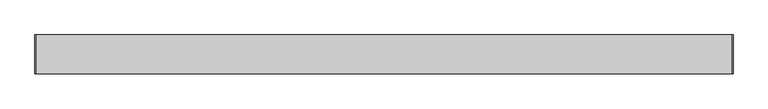
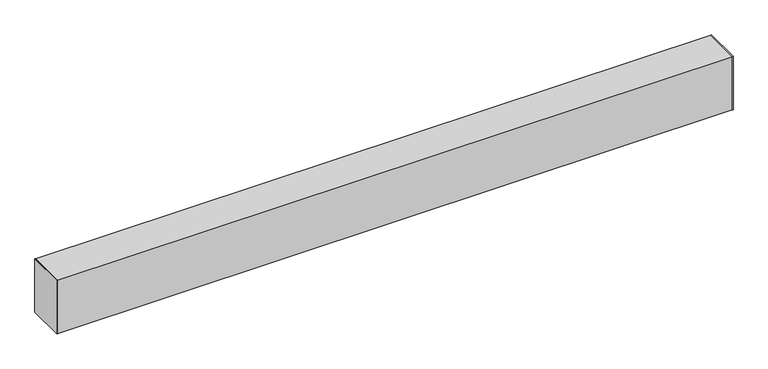
"""IFC4 building model written with IfcOpenShell, lengths in millimetres: proxy geometry."""

from ifc_helpers import new_model, si_unit, frame, origin, origin_with_axes, place, context, project, spatial, polyline, outline, extrude, source, transform, mapped, element, save


def generic_models_c31aeab1(model_context):
    return source(origin(), model_context, "Body", "SweptSolid", [
        extrude(outline(polyline([(0.0, -50.66), (0.0, 50.66), (1.651, 50.66), (1.651, -50.66), (0.0, -50.66)])), origin_with_axes(), (0.0, 0.0, 1.0), 152.4),
        extrude(outline(polyline([(1828.8, -50.66), (1827.149, -50.66), (1827.149, 50.66), (1828.8, 50.66), (1828.8, -50.66)])), origin_with_axes(), (0.0, 0.0, 1.0), 152.4),
        extrude(outline(polyline([(-50.66, 0.0), (-50.66, 152.4), (50.66, 152.4), (50.66, 0.0), (-50.66, 0.0)]), holes=[polyline([(49.01, 1.95), (49.01, 150.45), (-49.01, 150.45), (-49.01, 1.95), (49.01, 1.95)])]), frame((1.651, 0.0, 0.0), z_axis=(1.0, 0.0, 0.0), x_axis=(0.0, 1.0, 0.0)), (0.0, 0.0, 1.0), 1825.498),
    ])


if __name__ == "__main__":
    model = new_model("IFC4")
    model_context = context("Model", 3, world=origin())
    ifc_project = project(units=[si_unit("LENGTHUNIT", "METRE", prefix="MILLI")], contexts=[model_context])
    site = spatial("IfcSite", under=ifc_project)
    building = spatial("IfcBuilding", under=site)
    placement = place(None, origin())
    generic_models_shape = generic_models_c31aeab1(model_context)
    element("IfcBuildingElementProxy", 1, Name="Generic Models", at=placement, inside=building, context=model_context, shape_type="MappedRepresentation", body=[
        mapped(generic_models_shape, transform((0.0, 0.0, 0.0), x_axis=(1.0, 0.0, 0.0), y_axis=(0.0, 1.0, 0.0), z_axis=(0.0, 0.0, 1.0))),
    ])
    save(model, "model.ifc")
